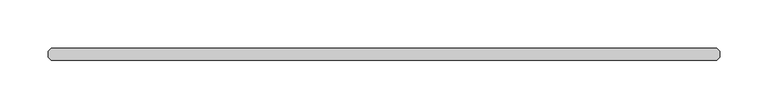
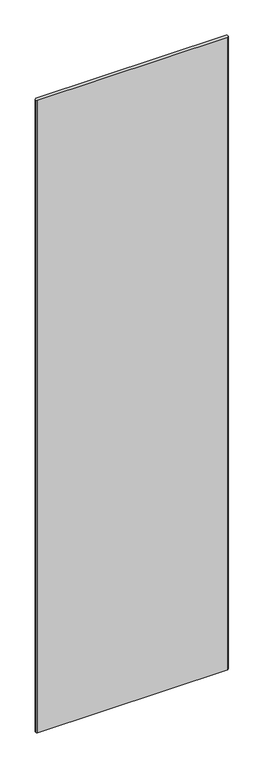
"""IFC4 building model written with IfcOpenShell, lengths in millimetres: plate geometry."""

from ifc_helpers import new_model, si_unit, origin, origin_with_axes, place, context, project, spatial, polyline, outline, extrude, source, transform, mapped, element, save


def plate_5496bccb(model_context):
    return source(origin(), model_context, "Body", "SweptSolid", [
        extrude(outline(polyline([(378.221875, -6.35), (-313.928125, -6.35), (-317.103125, -3.175), (-317.103125, 3.175), (-313.928125, 6.35), (378.221875, 6.35), (381.396875, 3.175), (381.396875, -3.175), (378.221875, -6.35)])), origin_with_axes(), (0.0, 0.0, 1.0), 2427.1914267),
    ])


if __name__ == "__main__":
    model = new_model("IFC4")
    model_context = context("Model", 3, world=origin())
    ifc_project = project(units=[si_unit("LENGTHUNIT", "METRE", prefix="MILLI")], contexts=[model_context])
    site = spatial("IfcSite", under=ifc_project)
    building = spatial("IfcBuilding", under=site)
    placement = place(None, origin())
    plate_shape = plate_5496bccb(model_context)
    element("IfcPlate", 1, at=placement, inside=building, context=model_context, shape_type="MappedRepresentation", body=[
        mapped(plate_shape, transform((0.0, 0.0, 0.0), x_axis=(1.0, 0.0, 0.0), y_axis=(0.0, 1.0, 0.0), z_axis=(0.0, 0.0, 1.0))),
    ])
    save(model, "model.ifc")
